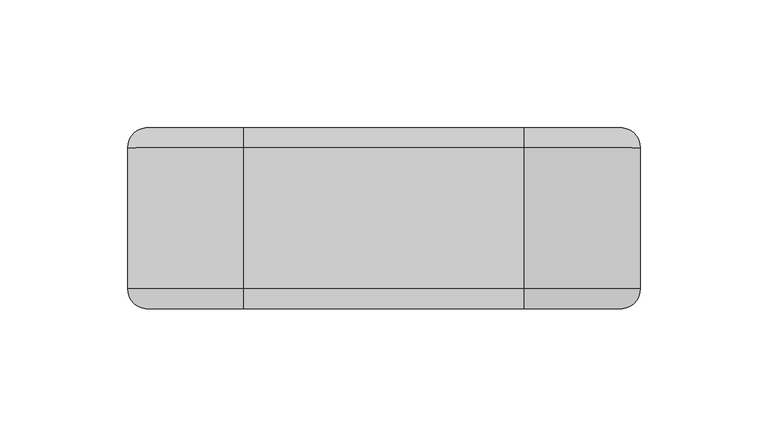
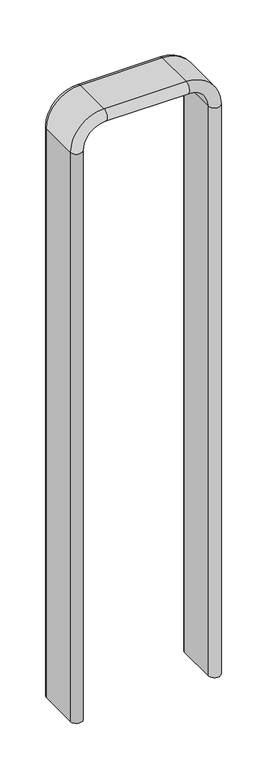
"""IFC4 building model written with IfcOpenShell, lengths in millimetres: furniture geometry."""

import ifcopenshell
import ifcopenshell.guid

model = None  # the IFC model being written
_history = None  # IfcOwnerHistory: only IFC2X3 demands one
_inside = {}  # id of a spatial element -> (the spatial element, [elements in it])
_under = {}  # id of a project, library or spatial element -> (it, [spatial elements below it])
_declared = {}  # id of a project -> (the project, [libraries it declares])
_typed = {}  # id of a type object -> (the type object, [elements of that type])
_made_of = {}  # id of a material, layer set ... -> (it, [elements and type objects made of it])


def new_model(schema):
    """Start an empty IFC model of exactly this schema.

    Asked for "IFC4X3", IfcOpenShell would pick the latest addendum, in which some entities
    have other attributes; the version numbers below select the first issue.
    IFC2X3 requires an IfcOwnerHistory on every rooted entity: one is made here for all.
    """
    global model, _history
    if schema == "IFC4X3":
        model = ifcopenshell.file(schema_version=(4, 3, 0, 0))
    else:
        model = ifcopenshell.file(schema=schema)
    _inside.clear()
    _under.clear()
    _declared.clear()
    _typed.clear()
    _made_of.clear()
    _history = None
    if model.schema == "IFC2X3":
        org = make("IfcOrganization", Name="unknown")
        user = make(
            "IfcPersonAndOrganization",
            ThePerson=make("IfcPerson", FamilyName="unknown"),
            TheOrganization=org,
        )
        app = make(
            "IfcApplication",
            ApplicationDeveloper=org,
            Version="unknown",
            ApplicationFullName="unknown",
            ApplicationIdentifier="unknown",
        )
        _history = make(
            "IfcOwnerHistory",
            OwningUser=user,
            OwningApplication=app,
            ChangeAction="ADDED",
            CreationDate=0,
        )
    return model


def make(cls, **values):
    """One entity of the class cls with the attributes given. An attribute that is None is left unset."""
    return model.create_entity(
        cls, **{name: value for name, value in values.items() if value is not None}
    )


def rooted(cls, **values):
    """An entity with a GlobalId (a new one), such as an element, a storey or a relation."""
    return make(cls, GlobalId=ifcopenshell.guid.new(), OwnerHistory=_history, **values)


def si_unit(unit_type, name, prefix=None):
    """IfcSIUnit, for example si_unit("LENGTHUNIT", "METRE", prefix="MILLI")."""
    return make("IfcSIUnit", UnitType=unit_type, Prefix=prefix, Name=name)


def assignment(units):
    """IfcUnitAssignment: the units of a project."""
    return None if units is None else make("IfcUnitAssignment", Units=units)


def point(xyz):
    """IfcCartesianPoint."""
    return None if xyz is None else make("IfcCartesianPoint", Coordinates=xyz)


def direction(xyz):
    """IfcDirection."""
    return None if xyz is None else make("IfcDirection", DirectionRatios=xyz)


def frame(location, z_axis=None, x_axis=None):
    """IfcAxis2Placement3D, a coordinate frame: its origin and axes. An axis left out is left unset."""
    return make(
        "IfcAxis2Placement3D",
        Location=point(location),
        Axis=direction(z_axis),
        RefDirection=direction(x_axis),
    )


def origin():
    """The frame at (0, 0, 0) with its axes left unset."""
    return frame((0.0, 0.0, 0.0))


def place(relative_to, where):
    """IfcLocalPlacement: puts the frame where relative to a parent placement (None: the world)."""
    return make(
        "IfcLocalPlacement", PlacementRelTo=relative_to, RelativePlacement=where
    )


def context(
    kind, dimensions, precision=None, world=None, true_north=None, identifier=None
):
    """IfcGeometricRepresentationContext, for example the 3D "Model" context."""
    return make(
        "IfcGeometricRepresentationContext",
        ContextIdentifier=identifier,
        ContextType=kind,
        CoordinateSpaceDimension=dimensions,
        Precision=precision,
        WorldCoordinateSystem=world,
        TrueNorth=true_north,
    )


def project(units=None, contexts=None):
    """IfcProject with its units and contexts."""
    return rooted(
        "IfcProject",
        Name="project",
        RepresentationContexts=contexts,
        UnitsInContext=assignment(units),
    )


def spatial(cls, under=None, at=None, **own):
    """A site, building, storey or space (cls), placed at a placement, below another one or the project."""
    s = rooted(cls, ObjectPlacement=at, **own)
    if under is not None:
        _under.setdefault(under.id(), (under, []))[1].append(s)
    return s


def polyline(points):
    """IfcPolyline through the points."""
    return make("IfcPolyline", Points=[point(p) for p in points])


def circle_curve(where, radius):
    """IfcCircle in the frame where."""
    return make("IfcCircle", Position=where, Radius=radius)


def ellipse_curve(where, semi_axis1, semi_axis2):
    """IfcEllipse in the frame where."""
    return make(
        "IfcEllipse", Position=where, SemiAxis1=semi_axis1, SemiAxis2=semi_axis2
    )


def trimmed(basis, trim1, trim2, sense, master):
    """IfcTrimmedCurve: the piece of a basis curve between two trims."""
    return make(
        "IfcTrimmedCurve",
        BasisCurve=basis,
        Trim1=trim1,
        Trim2=trim2,
        SenseAgreement=sense,
        MasterRepresentation=master,
    )


def shape(context_of_items, identifier, shape_type, items):
    """IfcShapeRepresentation: the items that make up one representation, for example the "Body"."""
    return make(
        "IfcShapeRepresentation",
        ContextOfItems=context_of_items,
        RepresentationIdentifier=identifier,
        RepresentationType=shape_type,
        Items=items,
    )


def source(mapping_origin, context_of_items, identifier, shape_type, items):
    """IfcRepresentationMap: a shape defined once, which mapped items show again and again."""
    return make(
        "IfcRepresentationMap",
        MappingOrigin=mapping_origin,
        MappedRepresentation=shape(context_of_items, identifier, shape_type, items),
    )


def transform(
    local_origin,
    x_axis=None,
    y_axis=None,
    z_axis=None,
    scale=None,
    scale2=None,
    scale3=None,
    uniform=True,
):
    """IfcCartesianTransformationOperator3D, or its non-uniform kind. x_axis, y_axis, z_axis: its Axis1, 2, 3."""
    if uniform:
        return make(
            "IfcCartesianTransformationOperator3D",
            Axis1=direction(x_axis),
            Axis2=direction(y_axis),
            LocalOrigin=point(local_origin),
            Scale=scale,
            Axis3=direction(z_axis),
        )
    return make(
        "IfcCartesianTransformationOperator3DnonUniform",
        Axis1=direction(x_axis),
        Axis2=direction(y_axis),
        LocalOrigin=point(local_origin),
        Scale=scale,
        Axis3=direction(z_axis),
        Scale2=scale2,
        Scale3=scale3,
    )


def mapped(mapping_source, mapping_target):
    """IfcMappedItem: shows the shape of a source again, moved by a transform."""
    return make(
        "IfcMappedItem", MappingSource=mapping_source, MappingTarget=mapping_target
    )


def made_of(thing, what):
    """Note that an element or type object is made of a material, layer set ...; save() writes the relation."""
    if what is not None:
        _made_of.setdefault(what.id(), (what, []))[1].append(thing)
    return thing


def element(
    cls,
    number,
    at=None,
    inside=None,
    cuts=None,
    type_object=None,
    material=None,
    context=None,
    identifier="Body",
    shape_type=None,
    held_by="IfcProductDefinitionShape",
    body=None,
    shapes=None,
    **own,
):
    """One element of the class cls, such as IfcWall. Its Tag is "e" and its number.

    at: its placement. inside: the storey or other place that contains it. cuts: it is an
    opening in that element (IfcRelVoidsElement). A single representation is given by context,
    identifier, shape_type and body (its items); several are given by shapes. held_by: the class
    of the entity that holds the representations. save() writes the other relations.
    """
    e = rooted(cls, Tag="e%d" % number, ObjectPlacement=at, **own)
    if body is not None:
        shapes = [shape(context, identifier, shape_type, body)]
    if shapes is not None:
        e.Representation = make(held_by, Representations=shapes)
    if inside is not None:
        _inside.setdefault(inside.id(), (inside, []))[1].append(e)
    if cuts is not None:
        rooted(
            "IfcRelVoidsElement", RelatingBuildingElement=cuts, RelatedOpeningElement=e
        )
    if type_object is not None:
        _typed.setdefault(type_object.id(), (type_object, []))[1].append(e)
    return made_of(e, material)


def aggregate(whole, parts):
    """IfcRelAggregates: a whole, such as a stair, and the parts it consists of."""
    return rooted("IfcRelAggregates", RelatingObject=whole, RelatedObjects=parts)


def save(model, path):
    """Write the relations noted so far, then the file.

    IfcRelAggregates (storeys below a building ...), IfcRelContainedInSpatialStructure (elements
    in a storey), IfcRelDefinesByType, IfcRelAssociatesMaterial and IfcRelDeclares: one each for
    every whole, place, type object, material and project.
    """
    for whole, parts in _under.values():
        aggregate(whole, parts)
    for where, things in _inside.values():
        rooted(
            "IfcRelContainedInSpatialStructure",
            RelatedElements=things,
            RelatingStructure=where,
        )
    for kind, things in _typed.values():
        rooted("IfcRelDefinesByType", RelatedObjects=things, RelatingType=kind)
    for what, things in _made_of.values():
        rooted("IfcRelAssociatesMaterial", RelatedObjects=things, RelatingMaterial=what)
    for by, libraries in _declared.values():
        rooted("IfcRelDeclares", RelatingContext=by, RelatedDefinitions=libraries)
    model.write(path)


def plane_surface(at):
    """IfcPlane: the flat surface through the origin of the frame at, square to its z axis."""
    return make("IfcPlane", Position=at)


def cylinder_surface(at, radius):
    """IfcCylindricalSurface: all points at the distance radius from the z axis of the frame at."""
    return make("IfcCylindricalSurface", Position=at, Radius=radius)


def revolved_surface(curve, axis_point, axis_direction):
    """IfcSurfaceOfRevolution: the curve turned about the line through axis_point along axis_direction."""
    return make(
        "IfcSurfaceOfRevolution",
        SweptCurve=make("IfcArbitraryOpenProfileDef", ProfileType="CURVE", Curve=curve),
        AxisPosition=make("IfcAxis1Placement", Location=point(axis_point), Axis=direction(axis_direction)),
    )


def advanced_brep(points, edges, surfaces, faces):
    """IfcAdvancedBrep: a solid bounded by faces that lie on surfaces and meet in shared edges.

    An edge is (start, end): straight between two places in points (the first is 0);
    or (start, end, curve); or (start, end, curve, False) where it runs against its curve.
    A face is (place in surfaces, loops), or (place, loops, False) where it looks against
    its surface's normal. A loop lists edges by number (the first is 1), with a minus sign
    where the edge is run from its end to its start. The first loop is the outer one.
    """
    corners = [point(p) for p in points]
    vertices = [make("IfcVertexPoint", VertexGeometry=c) for c in corners]
    made = []
    for start, end, *more in edges:
        made.append(
            make(
                "IfcEdgeCurve",
                EdgeStart=vertices[start],
                EdgeEnd=vertices[end],
                EdgeGeometry=more[0] if more else make("IfcPolyline", Points=[corners[start], corners[end]]),
                SameSense=more[1] if len(more) > 1 else True,
            )
        )
    hull = []
    for where, loops, *sense in faces:
        bounds = []
        for j, loop in enumerate(loops):
            ring = [make("IfcOrientedEdge", EdgeElement=made[abs(k) - 1], Orientation=k > 0) for k in loop]
            bounds.append(
                make(
                    "IfcFaceOuterBound" if j == 0 else "IfcFaceBound",
                    Bound=make("IfcEdgeLoop", EdgeList=ring),
                    Orientation=True,
                )
            )
        hull.append(make("IfcAdvancedFace", Bounds=bounds, FaceSurface=surfaces[where], SameSense=sense[0] if sense else True))
    return make("IfcAdvancedBrep", Outer=make("IfcClosedShell", CfsFaces=hull))


def furniture_6bf1fb24(model_context):
    return source(origin(), model_context, "Body", "AdvancedBrep", [
        advanced_brep(
        [(100.5016667, 27.5, 0.0), (100.5016667, -27.5, 0.0), (84.5016667, -27.5, 0.0), (84.5016667, 27.5, 0.0), (100.5016667, 27.5, 805.0), (100.5016667, -27.5, 805.0), (84.5016667, -27.5, 805.0), (84.5016667, 27.5, 805.0), (55.0016667, -27.5, 850.5), (55.0016667, 27.5, 850.5), (55.0016667, -27.5, 834.5), (55.0016667, 27.5, 834.5), (-55.0016667, 27.5, 850.5), (-55.0016667, -27.5, 850.5), (-55.0016667, -27.5, 834.5), (-55.0016667, 27.5, 834.5), (-100.5016667, -27.5, 805.0), (-100.5016667, 27.5, 805.0), (-84.5016667, -27.5, 805.0), (-84.5016667, 27.5, 805.0), (-100.5016667, 27.5, 0.0), (-84.5016667, 27.5, 0.0), (-84.5016667, -27.5, 0.0), (-100.5016667, -27.5, 0.0)],
        [
            (0, 1),
            (1, 2, circle_curve(frame((92.5016667, -27.5, 0.0), z_axis=(0.0, 0.0, -1.0), x_axis=(-1.0, 0.0, 0.0)), 8.0)),
            (2, 3),
            (3, 0, circle_curve(frame((92.5016667, 27.5, 0.0), z_axis=(0.0, 0.0, -1.0), x_axis=(1.0, 0.0, 0.0)), 8.0)),
            (0, 4),
            (4, 5),
            (5, 1),
            (5, 6, circle_curve(frame((92.5016667, -27.5, 805.0), z_axis=(0.0, 0.0, -1.0), x_axis=(-1.0, 0.0, 0.0)), 8.0)),
            (6, 2),
            (6, 7),
            (7, 3),
            (7, 4, circle_curve(frame((92.5016667, 27.5, 805.0), z_axis=(0.0, 0.0, -1.0), x_axis=(1.0, 0.0, 0.0)), 8.0)),
            (8, 5, circle_curve(frame((55.0016667, -27.5, 805.0), z_axis=(0.0, 1.0, 0.0), x_axis=(1.0, 0.0, 0.0)), 45.5)),
            (4, 9, circle_curve(frame((55.0016667, 27.5, 805.0), z_axis=(0.0, -1.0, 0.0), x_axis=(1.0, 0.0, 0.0)), 45.5)),
            (9, 8),
            (10, 6, circle_curve(frame((55.0016667, -27.5, 805.0), z_axis=(0.0, 1.0, 0.0), x_axis=(1.0, 0.0, 0.0)), 29.5)),
            (8, 10, circle_curve(frame((55.0016667, -27.5, 842.5), z_axis=(1.0, 0.0, 0.0), x_axis=(0.0, 0.0, -1.0)), 8.0)),
            (11, 7, circle_curve(frame((55.0016667, 27.5, 805.0), z_axis=(0.0, 1.0, 0.0), x_axis=(1.0, 0.0, 0.0)), 29.5)),
            (10, 11),
            (11, 9, circle_curve(frame((55.0016667, 27.5, 842.5), z_axis=(1.0, 0.0, 0.0), x_axis=(0.0, 0.0, 1.0)), 8.0)),
            (9, 12),
            (12, 13),
            (13, 8),
            (13, 14, circle_curve(frame((-55.0016667, -27.5, 842.5), z_axis=(1.0, 0.0, 0.0), x_axis=(0.0, 0.0, -1.0)), 8.0)),
            (14, 10),
            (14, 15),
            (15, 11),
            (15, 12, circle_curve(frame((-55.0016667, 27.5, 842.5), z_axis=(1.0, 0.0, 0.0), x_axis=(0.0, 0.0, 1.0)), 8.0)),
            (16, 13, circle_curve(frame((-55.0016667, -27.5, 805.0), z_axis=(0.0, 1.0, 0.0), x_axis=(0.0, 0.0, 1.0)), 45.5)),
            (12, 17, circle_curve(frame((-55.0016667, 27.5, 805.0), z_axis=(0.0, -1.0, 0.0), x_axis=(0.0, 0.0, 1.0)), 45.5)),
            (17, 16),
            (18, 14, circle_curve(frame((-55.0016667, -27.5, 805.0), z_axis=(0.0, 1.0, 0.0), x_axis=(0.0, 0.0, 1.0)), 29.5)),
            (16, 18, circle_curve(frame((-92.5016667, -27.5, 805.0), z_axis=(0.0, 0.0, 1.0), x_axis=(1.0, 0.0, 0.0)), 8.0)),
            (19, 15, circle_curve(frame((-55.0016667, 27.5, 805.0), z_axis=(0.0, 1.0, 0.0), x_axis=(0.0, 0.0, 1.0)), 29.5)),
            (18, 19),
            (19, 17, circle_curve(frame((-92.5016667, 27.5, 805.0), z_axis=(0.0, 0.0, 1.0), x_axis=(-1.0, 0.0, 0.0)), 8.0)),
            (20, 21, circle_curve(frame((-92.5016667, 27.5, 0.0), z_axis=(0.0, 0.0, -1.0), x_axis=(-1.0, 0.0, 0.0)), 8.0)),
            (21, 22),
            (22, 23, circle_curve(frame((-92.5016667, -27.5, 0.0), z_axis=(0.0, 0.0, -1.0), x_axis=(1.0, 0.0, 0.0)), 8.0)),
            (23, 20),
            (17, 20),
            (23, 16),
            (22, 18),
            (21, 19),
        ],
        [
            plane_surface(frame((100.0016667, 0.0, 0.0), z_axis=(0.0, 0.0, -1.0), x_axis=(0.0, -1.0, 0.0))),
            plane_surface(frame((100.5016667, 27.5, 0.0), z_axis=(1.0, 0.0, 0.0), x_axis=(0.0, 0.0, 1.0))),
            cylinder_surface(frame((92.5016667, -27.5, 0.0), z_axis=(0.0, 0.0, -1.0), x_axis=(-1.0, 0.0, 0.0)), 8.0),
            plane_surface(frame((84.5016667, -27.5, 0.0), z_axis=(-1.0, 0.0, 0.0), x_axis=(0.0, 0.0, 1.0))),
            cylinder_surface(frame((92.5016667, 27.5, 0.0), z_axis=(0.0, 0.0, -1.0), x_axis=(1.0, 0.0, 0.0)), 8.0),
            cylinder_surface(frame((55.0016667, 0.0, 805.0), z_axis=(0.0, -1.0, 0.0), x_axis=(1.0, 0.0, 0.0)), 45.5),
            revolved_surface(trimmed(ellipse_curve(frame((92.5016667, -27.5, 805.0), z_axis=(0.0, 0.0, -1.0), x_axis=(-1.0, 0.0, 0.0)), 8.0, 8.0), [point((100.5016667, -27.5, 805.0))], [point((84.5016667, -27.5, 805.0))], True, "CARTESIAN"), (55.0016667, 0.0, 805.0), (0.0, -1.0, 0.0)),
            revolved_surface(polyline([(84.5016667, -27.5, 805.0), (84.5016667, 27.5, 805.0)]), (55.0016667, 0.0, 805.0), (0.0, -1.0, 0.0)),
            revolved_surface(trimmed(ellipse_curve(frame((92.5016667, 27.5, 805.0), z_axis=(0.0, 0.0, -1.0), x_axis=(1.0, 0.0, 0.0)), 8.0, 8.0), [point((84.5016667, 27.5, 805.0))], [point((100.5016667, 27.5, 805.0))], True, "CARTESIAN"), (55.0016667, 0.0, 805.0), (0.0, -1.0, 0.0)),
            plane_surface(frame((55.0016667, 27.5, 850.5), z_axis=(0.0, 0.0, 1.0), x_axis=(-1.0, 0.0, 0.0))),
            cylinder_surface(frame((55.0016667, -27.5, 842.5), z_axis=(1.0, 0.0, 0.0), x_axis=(0.0, 0.0, -1.0)), 8.0),
            plane_surface(frame((55.0016667, -27.5, 834.5), z_axis=(0.0, 0.0, -1.0), x_axis=(-1.0, 0.0, 0.0))),
            cylinder_surface(frame((55.0016667, 27.5, 842.5), z_axis=(1.0, 0.0, 0.0), x_axis=(0.0, 0.0, 1.0)), 8.0),
            cylinder_surface(frame((-55.0016667, 0.0, 805.0), z_axis=(0.0, -1.0, 0.0), x_axis=(0.0, 0.0, 1.0)), 45.5),
            revolved_surface(trimmed(ellipse_curve(frame((-55.0016667, -27.5, 842.5), z_axis=(1.0, 0.0, 0.0), x_axis=(0.0, 0.0, -1.0)), 8.0, 8.0), [point((-55.0016667, -27.5, 850.5))], [point((-55.0016667, -27.5, 834.5))], True, "CARTESIAN"), (-55.0016667, 0.0, 805.0), (0.0, -1.0, 0.0)),
            revolved_surface(polyline([(-55.0016667, -27.5, 834.5), (-55.0016667, 27.5, 834.5)]), (-55.0016667, 0.0, 805.0), (0.0, -1.0, 0.0)),
            revolved_surface(trimmed(ellipse_curve(frame((-55.0016667, 27.5, 842.5), z_axis=(1.0, 0.0, 0.0), x_axis=(0.0, 0.0, 1.0)), 8.0, 8.0), [point((-55.0016667, 27.5, 834.5))], [point((-55.0016667, 27.5, 850.5))], True, "CARTESIAN"), (-55.0016667, 0.0, 805.0), (0.0, -1.0, 0.0)),
            plane_surface(frame((-100.0016667, 0.0, 0.0), z_axis=(0.0, 0.0, -1.0), x_axis=(0.0, -1.0, 0.0))),
            plane_surface(frame((-100.5016667, 27.5, 805.0), z_axis=(-1.0, 0.0, 0.0), x_axis=(0.0, 0.0, -1.0))),
            cylinder_surface(frame((-92.5016667, -27.5, 805.0), z_axis=(0.0, 0.0, 1.0), x_axis=(1.0, 0.0, 0.0)), 8.0),
            plane_surface(frame((-84.5016667, -27.5, 805.0), z_axis=(1.0, 0.0, 0.0), x_axis=(0.0, 0.0, -1.0))),
            cylinder_surface(frame((-92.5016667, 27.5, 805.0), z_axis=(0.0, 0.0, 1.0), x_axis=(-1.0, 0.0, 0.0)), 8.0),
        ],
        [
            (0, [[1, 2, 3, 4]]),
            (1, [[-1, 5, 6, 7]]),
            (2, [[-2, -7, 8, 9]]),
            (3, [[-3, -9, 10, 11]]),
            (4, [[-4, -11, 12, -5]]),
            (5, [[13, -6, 14, 15]]),
            (6, [[16, -8, -13, 17]]),
            (7, [[18, -10, -16, 19]]),
            (8, [[-14, -12, -18, 20]]),
            (9, [[-15, 21, 22, 23]]),
            (10, [[-17, -23, 24, 25]]),
            (11, [[-19, -25, 26, 27]]),
            (12, [[-20, -27, 28, -21]]),
            (13, [[29, -22, 30, 31]]),
            (14, [[32, -24, -29, 33]]),
            (15, [[34, -26, -32, 35]]),
            (16, [[-30, -28, -34, 36]]),
            (17, [[37, 38, 39, 40]]),
            (18, [[-31, 41, -40, 42]]),
            (19, [[-33, -42, -39, 43]]),
            (20, [[-35, -43, -38, 44]]),
            (21, [[-36, -44, -37, -41]]),
        ],
    ),
    ])


if __name__ == "__main__":
    model = new_model("IFC4")
    model_context = context("Model", 3, world=origin())
    ifc_project = project(units=[si_unit("LENGTHUNIT", "METRE", prefix="MILLI")], contexts=[model_context])
    site = spatial("IfcSite", under=ifc_project)
    building = spatial("IfcBuilding", under=site)
    placement = place(None, origin())
    furniture_shape = furniture_6bf1fb24(model_context)
    element("IfcFurniture", 1, at=placement, inside=building, context=model_context, shape_type="MappedRepresentation", body=[
        mapped(furniture_shape, transform((0.0, 0.0, 0.0), x_axis=(1.0, 0.0, 0.0), y_axis=(0.0, 1.0, 0.0), z_axis=(0.0, 0.0, 1.0))),
    ])
    save(model, "model.ifc")
